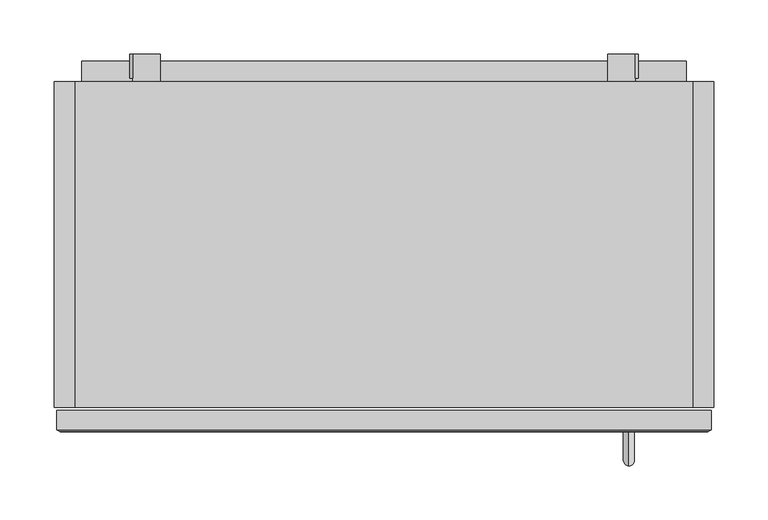
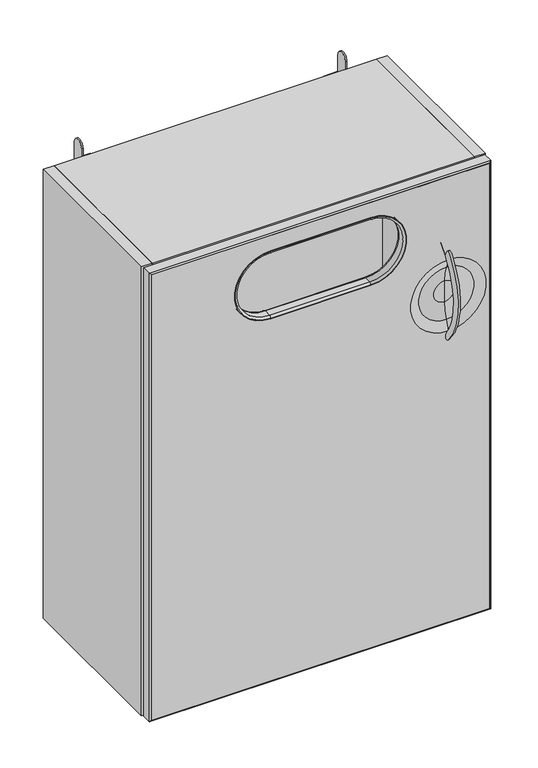
"""IFC4 building model written with IfcOpenShell, lengths in millimetres: furniture geometry."""

from ifc_helpers import new_model, si_unit, point, frame, frame_2d, origin, place, context, project, spatial, polyline, circle_curve, ellipse_curve, trimmed, segment, composite_curve, outline, extrude, faceted_brep, source, transform, mapped, element, save
from ifc_brep_helpers import plane_surface, cylinder_surface, revolved_surface, advanced_brep


def furniture_6328d004(model_context):
    return source(origin(), model_context, "Body", "SolidModel", [
        advanced_brep(
        [(480.3139758, -316.2284569, 661.309527), (480.3139758, -323.85, 654.5910688), (480.3139758, -305.8429813, 826.2195422), (480.3139758, -312.5614395, 833.8410852)],
        [
            (0, 1, circle_curve(frame((480.3139758, -320.0392285, 657.9502979), z_axis=(0.0, 0.6612655746121907, -0.7501518778439532), x_axis=(0.0, -0.7501518778439532, -0.6612655746121907)), 5.08)),
            (1, 0, circle_curve(frame((480.3139758, -320.0392285, 657.9502979), z_axis=(0.0, 0.6612655746121907, -0.7501518778439532), x_axis=(0.0, -0.7501518778439532, -0.6612655746121907)), 5.08)),
            (2, 3, circle_curve(frame((480.3139758, -309.2022104, 830.0303137), z_axis=(0.0, 0.750151877843952, 0.661265574612192), x_axis=(0.0, -0.661265574612192, 0.750151877843952)), 5.08)),
            (3, 2, circle_curve(frame((480.3139758, -309.2022104, 830.0303137), z_axis=(0.0, 0.750151877843952, 0.661265574612192), x_axis=(0.0, -0.661265574612192, 0.750151877843952)), 5.08)),
            (3, 1, circle_curve(frame((480.3139758, -228.5807115, 738.5717967), z_axis=(1.0, 0.0, 0.0), x_axis=(0.0, -0.7501518778439532, -0.6612655746121907)), 127.0)),
            (0, 2, circle_curve(frame((480.3139758, -228.5807115, 738.5717967), z_axis=(-1.0, 0.0, 0.0), x_axis=(0.0, -0.7501518778439532, -0.6612655746121907)), 116.84)),
        ],
        [
            plane_surface(frame((480.3139758, -323.85, 654.5910688), z_axis=(0.0, 0.6612655746121907, -0.7501518778439532), x_axis=(1.0, 0.0, 0.0))),
            plane_surface(frame((480.3139758, -312.5614395, 833.8410852), z_axis=(0.0, 0.7501518778439521, 0.661265574612192), x_axis=(1.0, 0.0, 0.0))),
            revolved_surface(trimmed(ellipse_curve(frame((480.3139758, -320.0392285, 657.9502979), z_axis=(0.0, 0.6612655746121907, -0.7501518778439532), x_axis=(0.0, -0.7501518778439532, -0.6612655746121907)), 5.08, 5.08), [point((480.3139758, -316.2284569, 661.309527))], [point((480.3139758, -323.85, 654.5910688))], True, "CARTESIAN"), (480.3139758, -228.5807115, 738.5717967), (-1.0, 0.0, 0.0)),
            revolved_surface(trimmed(ellipse_curve(frame((480.3139758, -320.0392285, 657.9502979), z_axis=(0.0, 0.6612655746121907, -0.7501518778439532), x_axis=(0.0, -0.7501518778439532, -0.6612655746121907)), 5.08, 5.08), [point((480.3139758, -323.85, 654.5910688))], [point((480.3139758, -316.2284569, 661.309527))], True, "CARTESIAN"), (480.3139758, -228.5807115, 738.5717967), (-1.0, 0.0, 0.0)),
        ],
        [
            (0, [[1, 2]]),
            (1, [[3, 4]]),
            (2, [[5, -1, 6, -4]]),
            (3, [[-6, -2, -5, -3]]),
        ],
    ),
        advanced_brep(
        [(165.0999758, -307.6342598, 927.3162027), (165.0999758, -307.6342598, 809.5357996), (165.0999758, -304.2920005, 806.1935404), (165.0999758, -304.2920005, 930.6584619), (165.0999758, -320.5077407, 927.3162027), (165.0999758, -320.5077407, 809.5357996), (165.0999758, -323.85, 930.6584619), (165.0999758, -323.85, 806.1935404), (165.0999758, -304.2920005, 931.9259996), (165.0999758, -304.2920005, 804.9260027), (165.0999758, -323.85, 804.9260027), (165.0999758, -323.85, 931.9259996), (342.8999758, -304.2920005, 930.6584619), (342.8999758, -307.6342598, 927.3162027), (342.8999758, -320.5077407, 927.3162027), (342.8999758, -323.85, 930.6584619), (342.8999758, -323.85, 931.9259996), (342.8999758, -304.2920005, 931.9259996), (342.8999758, -307.6342598, 809.5357996), (342.8999758, -304.2920005, 806.1935404), (342.8999758, -320.5077407, 809.5357996), (342.8999758, -323.85, 806.1935404), (342.8999758, -304.2920005, 804.9260027), (342.8999758, -323.85, 804.9260027)],
        [
            (0, 1, circle_curve(frame((165.0999758, -307.6342598, 868.4260012), z_axis=(0.0, -1.0, 0.0), x_axis=(0.0, 0.0, -1.0)), 58.8902015)),
            (1, 2, circle_curve(frame((165.0999758, -307.6342598, 806.1935404), z_axis=(-1.0, 0.0, 0.0), x_axis=(0.0, -1.0, 0.0)), 3.3422593)),
            (2, 3, circle_curve(frame((165.0999758, -304.2920005, 868.4260012), z_axis=(0.0, 1.0, 0.0), x_axis=(0.0, 0.0, -1.0)), 62.2324608)),
            (3, 0, circle_curve(frame((165.0999758, -307.6342598, 930.6584619), z_axis=(-1.0, 0.0, 0.0), x_axis=(0.0, -1.0, 0.0)), 3.3422593)),
            (4, 5, circle_curve(frame((165.0999758, -320.5077407, 868.4260012), z_axis=(0.0, -1.0, 0.0), x_axis=(0.0, 0.0, -1.0)), 58.8902015)),
            (5, 1),
            (0, 4),
            (6, 7, circle_curve(frame((165.0999758, -323.85, 868.4260012), z_axis=(0.0, -1.0, 0.0), x_axis=(0.0, 0.0, -1.0)), 62.2324608)),
            (7, 5, circle_curve(frame((165.0999758, -320.5077407, 806.1935404), z_axis=(-1.0, 0.0, 0.0), x_axis=(0.0, -1.0, 0.0)), 3.3422593)),
            (4, 6, circle_curve(frame((165.0999758, -320.5077407, 930.6584619), z_axis=(-1.0, 0.0, 0.0), x_axis=(0.0, -1.0, 0.0)), 3.3422593)),
            (8, 9, circle_curve(frame((165.0999758, -304.2920005, 868.4260012), z_axis=(0.0, -1.0, 0.0), x_axis=(0.0, 0.0, -1.0)), 63.4999985)),
            (9, 10),
            (10, 11, circle_curve(frame((165.0999758, -323.85, 868.4260012), z_axis=(0.0, 1.0, 0.0), x_axis=(0.0, 0.0, -1.0)), 63.4999985)),
            (11, 8),
            (3, 12),
            (12, 13, circle_curve(frame((342.8999758, -307.6342598, 930.6584619), z_axis=(-1.0, 0.0, 0.0), x_axis=(0.0, -1.0, 0.0)), 3.3422593)),
            (13, 0),
            (13, 14),
            (14, 4),
            (14, 15, circle_curve(frame((342.8999758, -320.5077407, 930.6584619), z_axis=(-1.0, 0.0, 0.0), x_axis=(0.0, -1.0, 0.0)), 3.3422593)),
            (15, 6),
            (11, 16),
            (16, 17),
            (17, 8),
            (18, 13, circle_curve(frame((342.8999758, -307.6342598, 868.4260012), z_axis=(0.0, -1.0, 0.0), x_axis=(0.0, 0.0, 1.0)), 58.8902015)),
            (12, 19, circle_curve(frame((342.8999758, -304.2920005, 868.4260012), z_axis=(0.0, 1.0, 0.0), x_axis=(0.0, 0.0, 1.0)), 62.2324608)),
            (19, 18, circle_curve(frame((342.8999758, -307.6342598, 806.1935404), z_axis=(1.0, 0.0, 0.0), x_axis=(0.0, -1.0, 0.0)), 3.3422593)),
            (20, 14, circle_curve(frame((342.8999758, -320.5077407, 868.4260012), z_axis=(0.0, -1.0, 0.0), x_axis=(0.0, 0.0, 1.0)), 58.8902015)),
            (18, 20),
            (21, 15, circle_curve(frame((342.8999758, -323.85, 868.4260012), z_axis=(0.0, -1.0, 0.0), x_axis=(0.0, 0.0, 1.0)), 62.2324608)),
            (20, 21, circle_curve(frame((342.8999758, -320.5077407, 806.1935404), z_axis=(1.0, 0.0, 0.0), x_axis=(0.0, -1.0, 0.0)), 3.3422593)),
            (22, 17, circle_curve(frame((342.8999758, -304.2920005, 868.4260012), z_axis=(0.0, -1.0, 0.0), x_axis=(0.0, 0.0, 1.0)), 63.4999985)),
            (16, 23, circle_curve(frame((342.8999758, -323.85, 868.4260012), z_axis=(0.0, 1.0, 0.0), x_axis=(0.0, 0.0, 1.0)), 63.4999985)),
            (23, 22),
            (22, 9),
            (2, 19),
            (1, 18),
            (5, 20),
            (7, 21),
            (10, 23),
        ],
        [
            revolved_surface(trimmed(ellipse_curve(frame((165.0999758, -307.6342598, 806.1935404), z_axis=(1.0, 0.0, 0.0), x_axis=(0.0, -1.0, 0.0)), 3.3422593, 3.3422593), [point((165.0999758, -304.2920005, 806.1935404))], [point((165.0999758, -307.6342598, 809.5357996))], True, "CARTESIAN"), (165.0999758, -323.85, 868.4260012), (0.0, 1.0, 0.0)),
            revolved_surface(polyline([(165.0999758, -307.6342598, 809.5357997), (165.0999758, -320.5077407, 809.5357997)]), (165.0999758, -323.85, 868.4260012), (0.0, 1.0, 0.0)),
            revolved_surface(trimmed(ellipse_curve(frame((165.0999758, -320.5077407, 806.1935404), z_axis=(1.0, 0.0, 0.0), x_axis=(0.0, -1.0, 0.0)), 3.3422593, 3.3422593), [point((165.0999758, -320.5077407, 809.5357996))], [point((165.0999758, -323.85, 806.1935404))], True, "CARTESIAN"), (165.0999758, -323.85, 868.4260012), (0.0, 1.0, 0.0)),
            cylinder_surface(frame((165.0999758, -323.85, 868.4260012), z_axis=(0.0, 1.0, 0.0), x_axis=(0.0, 0.0, -1.0)), 63.4999985),
            cylinder_surface(frame((165.0999758, -307.6342598, 930.6584619), z_axis=(-1.0, 0.0, 0.0), x_axis=(0.0, -1.0, 0.0)), 3.3422593),
            plane_surface(frame((165.0999758, -307.6342598, 927.3162027), z_axis=(0.0, 0.0, -1.0), x_axis=(1.0, 0.0, 0.0))),
            cylinder_surface(frame((165.0999758, -320.5077407, 930.6584619), z_axis=(-1.0, 0.0, 0.0), x_axis=(0.0, -1.0, 0.0)), 3.3422593),
            plane_surface(frame((165.0999758, -323.85, 931.9259996), z_axis=(0.0, 0.0, 1.0), x_axis=(1.0, 0.0, 0.0))),
            revolved_surface(trimmed(ellipse_curve(frame((342.8999758, -307.6342598, 930.6584619), z_axis=(-1.0, 0.0, 0.0), x_axis=(0.0, -1.0, 0.0)), 3.3422593, 3.3422593), [point((342.8999758, -304.2920005, 930.6584619))], [point((342.8999758, -307.6342598, 927.3162027))], True, "CARTESIAN"), (342.8999758, -323.85, 868.4260012), (0.0, 1.0, 0.0)),
            revolved_surface(polyline([(342.8999758, -307.6342598, 927.3162027), (342.8999758, -320.5077407, 927.3162027)]), (342.8999758, -323.85, 868.4260012), (0.0, 1.0, 0.0)),
            revolved_surface(trimmed(ellipse_curve(frame((342.8999758, -320.5077407, 930.6584619), z_axis=(-1.0, 0.0, 0.0), x_axis=(0.0, -1.0, 0.0)), 3.3422593, 3.3422593), [point((342.8999758, -320.5077407, 927.3162027))], [point((342.8999758, -323.85, 930.6584619))], True, "CARTESIAN"), (342.8999758, -323.85, 868.4260012), (0.0, 1.0, 0.0)),
            cylinder_surface(frame((342.8999758, -323.85, 868.4260012), z_axis=(0.0, 1.0, 0.0), x_axis=(0.0, 0.0, 1.0)), 63.4999985),
            plane_surface(frame((342.8999758, -304.2920005, 804.9260027), z_axis=(0.0, 1.0, 0.0), x_axis=(-1.0, 0.0, 0.0))),
            cylinder_surface(frame((342.8999758, -307.6342598, 806.1935404), z_axis=(1.0, 0.0, 0.0), x_axis=(0.0, -1.0, 0.0)), 3.3422593),
            plane_surface(frame((342.8999758, -307.6342598, 809.5357996), z_axis=(0.0, 0.0, 1.0), x_axis=(-1.0, 0.0, 0.0))),
            cylinder_surface(frame((342.8999758, -320.5077407, 806.1935404), z_axis=(1.0, 0.0, 0.0), x_axis=(0.0, -1.0, 0.0)), 3.3422593),
            plane_surface(frame((342.8999758, -323.85, 806.1935404), z_axis=(0.0, -1.0, 0.0), x_axis=(-1.0, 0.0, 0.0))),
            plane_surface(frame((342.8999758, -323.85, 804.9260027), z_axis=(0.0, 0.0, -1.0), x_axis=(-1.0, 0.0, 0.0))),
        ],
        [
            (0, [[1, 2, 3, 4]]),
            (1, [[5, 6, -1, 7]]),
            (2, [[8, 9, -5, 10]]),
            (3, [[11, 12, 13, 14]]),
            (4, [[-4, 15, 16, 17]]),
            (5, [[-7, -17, 18, 19]]),
            (6, [[-10, -19, 20, 21]]),
            (7, [[-14, 22, 23, 24]]),
            (8, [[25, -16, 26, 27]]),
            (9, [[28, -18, -25, 29]]),
            (10, [[30, -20, -28, 31]]),
            (11, [[32, -23, 33, 34]]),
            (12, [[-24, -32, 35, -11], [36, -26, -15, -3]]),
            (13, [[-27, -36, -2, 37]]),
            (14, [[-29, -37, -6, 38]]),
            (15, [[-31, -38, -9, 39]]),
            (16, [[40, -33, -22, -13], [-21, -30, -39, -8]]),
            (17, [[-34, -40, -12, -35]]),
        ],
    ),
        extrude(outline(composite_curve([segment(polyline([(3.1758017, 941.5788171), (3.1758017, 975.9020252)]), True, "CONTINUOUS"), segment(trimmed(circle_curve(frame_2d((14.2883021, 975.9020252)), 11.1125003), [point((3.1758017, 975.9020252))], [point((25.4008024, 975.9020252))], False, "CARTESIAN"), True, "CONTINUOUS"), segment(polyline([(25.4008024, 975.9020252), (25.4008024, 941.5788171), (3.1758017, 941.5788171)]), True, "CONTINUOUS")], self_intersect=False)), frame((486.2822001, 0.0, 0.0), z_axis=(1.0, 0.0, 0.0), x_axis=(0.0, 1.0, 0.0)), (0.0, 0.0, 1.0), 2.6669997),
        extrude(outline(composite_curve([segment(polyline([(3.1758017, 941.5788171), (3.1758017, 975.9020252)]), True, "CONTINUOUS"), segment(trimmed(circle_curve(frame_2d((14.2883021, 975.9020252)), 11.1125003), [point((3.1758017, 975.9020252))], [point((25.4008024, 975.9020252))], False, "CARTESIAN"), True, "CONTINUOUS"), segment(polyline([(25.4008024, 975.9020252), (25.4008024, 941.5788171), (3.1758017, 941.5788171)]), True, "CONTINUOUS")], self_intersect=False)), frame((19.050763, 0.0, 0.0), z_axis=(1.0, 0.0, 0.0), x_axis=(0.0, 1.0, 0.0)), (0.0, 0.0, 1.0), 2.6669997),
        extrude(outline(polyline([(1.905, 177.6727209), (1.905, 142.7472365), (0.0, 142.7472365), (0.0, 179.5776919), (19.0505836, 179.5776919), (19.0505836, 155.4476967), (17.1455843, 155.4476967), (17.1455843, 177.6727209), (1.905, 177.6727209)])), frame((-25.4125136, 0.0, 0.0), z_axis=(1.0, 0.0, 0.0), x_axis=(0.0, 1.0, 0.0)), (0.0, 0.0, 1.0), 558.8249765),
        extrude(outline(polyline([(539.2427756, 0.0), (539.2427756, -19.5571979), (-31.2428422, -19.5571979), (-31.2428422, 0.0), (539.2427756, 0.0)])), frame((0.0, 0.0, 142.7472365), z_axis=(0.0, 0.0, 1.0), x_axis=(1.0, 0.0, 0.0)), (0.0, 0.0, 1.0), 801.3715249),
        extrude(outline(polyline([(539.2427756, 0.0), (539.2427756, -301.1275134), (-31.2428422, -301.1275134), (-31.2428422, 0.0), (539.2427756, 0.0)])), frame((0.0, 0.0, 123.19), z_axis=(0.0, 0.0, 1.0), x_axis=(1.0, 0.0, 0.0)), (0.0, 0.0, 1.0), 19.5572365),
        extrude(outline(polyline([(539.2427756, 0.0), (539.2427756, -301.1275134), (-31.2428422, -301.1275134), (-31.2428422, 0.0), (539.2427756, 0.0)])), frame((0.0, 0.0, 944.1187613), z_axis=(0.0, 0.0, 1.0), x_axis=(1.0, 0.0, 0.0)), (0.0, 0.0, 1.0), 19.557182),
        advanced_brep(
        [(553.2504871, -304.2920005, 960.5009996), (553.2504871, -304.2920005, 126.364997), (-45.2751298, -304.2920005, 126.364997), (-45.2751298, -304.2920005, 960.5009996), (342.8999758, -304.2920005, 931.9259996), (165.0999758, -304.2920005, 931.9259996), (165.0999758, -304.2920005, 804.9260027), (342.8999758, -304.2920005, 804.9260027), (553.2504871, -323.85, 960.5009996), (-45.2751298, -323.85, 960.5009996), (-45.2751298, -323.85, 126.364997), (553.2504871, -323.85, 126.364997), (342.8999758, -323.85, 931.9259996), (342.8999758, -323.85, 804.9260027), (165.0999758, -323.85, 804.9260027), (165.0999758, -323.85, 931.9259996), (480.3139758, -323.85, 671.5774002), (480.3139758, -323.85, 804.9260222), (480.3139758, -317.1987998, 689.5667383), (480.3139758, -311.15, 718.9729129), (480.3139758, -311.15, 757.5305095), (480.3139758, -317.1987998, 786.9366841), (480.3139758, -311.15, 738.2517112)],
        [
            (0, 1),
            (1, 2),
            (2, 3),
            (3, 0),
            (4, 5),
            (5, 6, circle_curve(frame((165.0999758, -304.2920005, 868.4260012), z_axis=(0.0, -1.0, 0.0), x_axis=(0.0, 0.0, -1.0)), 63.4999985)),
            (6, 7),
            (7, 4, circle_curve(frame((342.8999758, -304.2920005, 868.4260012), z_axis=(0.0, -1.0, 0.0), x_axis=(0.0, 0.0, -1.0)), 63.4999985)),
            (8, 9),
            (9, 10),
            (10, 11),
            (11, 8),
            (12, 13, circle_curve(frame((342.8999758, -323.85, 868.4260012), z_axis=(0.0, 1.0, 0.0), x_axis=(0.0, 0.0, -1.0)), 63.4999985)),
            (13, 14),
            (14, 15, circle_curve(frame((165.0999758, -323.85, 868.4260012), z_axis=(0.0, 1.0, 0.0), x_axis=(0.0, 0.0, -1.0)), 63.4999985)),
            (15, 12),
            (16, 17, circle_curve(frame((480.3139758, -323.85, 738.2517112), z_axis=(0.0, 1.0, 0.0), x_axis=(0.0, 0.0, 1.0)), 66.674311)),
            (17, 16, circle_curve(frame((480.3139758, -323.85, 738.2517112), z_axis=(0.0, 1.0, 0.0), x_axis=(0.0, 0.0, 1.0)), 66.674311)),
            (0, 8),
            (11, 1),
            (10, 2),
            (9, 3),
            (4, 12),
            (15, 5),
            (14, 6),
            (13, 7),
            (18, 19, circle_curve(frame((480.3139758, -385.6532995, 718.9729129), z_axis=(1.0, 0.0, 0.0), x_axis=(0.0, 1.0, 0.0)), 74.5032995)),
            (19, 20, circle_curve(frame((480.3139758, -311.15, 738.2517112), z_axis=(0.0, 1.0, 0.0), x_axis=(0.0, 0.0, 1.0)), 19.2787983)),
            (20, 21, circle_curve(frame((480.3139758, -385.6532995, 757.5305095), z_axis=(1.0, 0.0, 0.0), x_axis=(0.0, 1.0, 0.0)), 74.5032995)),
            (21, 18, circle_curve(frame((480.3139758, -317.1987998, 738.2517112), z_axis=(0.0, -1.0, 0.0), x_axis=(0.0, 0.0, 1.0)), 48.6849729)),
            (18, 21, circle_curve(frame((480.3139758, -317.1987998, 738.2517112), z_axis=(0.0, -1.0, 0.0), x_axis=(0.0, 0.0, 1.0)), 48.6849729)),
            (20, 19, circle_curve(frame((480.3139758, -311.15, 738.2517112), z_axis=(0.0, 1.0, 0.0), x_axis=(0.0, 0.0, 1.0)), 19.2787983)),
            (21, 17, circle_curve(frame((480.3139758, -146.3460634, 860.3303311), z_axis=(-1.0, 0.0, 0.0), x_axis=(0.0, 1.0, 0.0)), 185.949684)),
            (16, 18, circle_curve(frame((480.3139758, -146.3460634, 616.1730912), z_axis=(-1.0, 0.0, 0.0), x_axis=(0.0, 1.0, 0.0)), 185.949684)),
            (19, 22),
            (22, 20),
        ],
        [
            plane_surface(frame((553.2504871, -304.2920005, 960.5009996), z_axis=(0.0, 1.0, 0.0), x_axis=(0.0, 0.0, -1.0))),
            plane_surface(frame((553.2504871, -323.85, 960.5009996), z_axis=(0.0, -1.0, 0.0), x_axis=(0.0, 0.0, 1.0))),
            plane_surface(frame((553.2504871, -304.2920005, 960.5009996), z_axis=(1.0, 0.0, 0.0), x_axis=(0.0, -1.0, 0.0))),
            plane_surface(frame((553.2504871, -304.2920005, 126.364997), z_axis=(0.0, 0.0, -1.0), x_axis=(0.0, -1.0, 0.0))),
            plane_surface(frame((-45.2751298, -304.2920005, 126.364997), z_axis=(-1.0, 0.0, 0.0), x_axis=(0.0, -1.0, 0.0))),
            plane_surface(frame((-45.2751298, -304.2920005, 960.5009996), z_axis=(0.0, 0.0, 1.0), x_axis=(0.0, -1.0, 0.0))),
            plane_surface(frame((342.8999758, -304.2920005, 931.9259996), z_axis=(0.0, 0.0, -1.0), x_axis=(0.0, -1.0, 0.0))),
            revolved_surface(polyline([(165.0999758, -323.85, 804.9260027), (165.0999758, -304.2920005, 804.9260027)]), (165.0999758, -304.2920005, 868.4260012), (0.0, -1.0, 0.0)),
            plane_surface(frame((165.0999758, -304.2920005, 804.9260027), z_axis=(0.0, 0.0, 1.0), x_axis=(0.0, -1.0, 0.0))),
            revolved_surface(polyline([(342.8999758, -323.85, 804.9260027), (342.8999758, -304.2920005, 804.9260027)]), (342.8999758, -304.2920005, 868.4260012), (0.0, -1.0, 0.0)),
            revolved_surface(trimmed(ellipse_curve(frame((480.3139758, -385.6532995, 757.5305095), z_axis=(-1.0, 0.0, 0.0), x_axis=(0.0, 1.0, 0.0)), 74.5032995, 74.5032995), [point((480.3139758, -317.1987998, 786.9366841))], [point((480.3139758, -311.15, 757.5305095))], True, "CARTESIAN"), (480.3139758, -304.2920005, 738.2517112), (0.0, -1.0, 0.0)),
            revolved_surface(trimmed(ellipse_curve(frame((480.3139758, -146.3460634, 860.3303311), z_axis=(1.0, 0.0, 0.0), x_axis=(0.0, 1.0, 0.0)), 185.949684, 185.949684), [point((480.3139758, -323.85, 804.9260222))], [point((480.3139758, -317.1987998, 786.9366841))], True, "CARTESIAN"), (480.3139758, -304.2920005, 738.2517112), (0.0, -1.0, 0.0)),
            plane_surface(frame((480.3139758, -311.15, 738.2517112), z_axis=(0.0, -1.0, 0.0), x_axis=(0.0, 0.0, 1.0))),
        ],
        [
            (0, [[1, 2, 3, 4], [5, 6, 7, 8]]),
            (1, [[9, 10, 11, 12], [13, 14, 15, 16], [17, 18]]),
            (2, [[-1, 19, -12, 20]]),
            (3, [[-2, -20, -11, 21]]),
            (4, [[-3, -21, -10, 22]]),
            (5, [[-4, -22, -9, -19]]),
            (6, [[-5, 23, -16, 24]]),
            (7, [[-6, -24, -15, 25]]),
            (8, [[-7, -25, -14, 26]]),
            (9, [[-8, -26, -13, -23]]),
            (10, [[27, 28, 29, 30]]),
            (10, [[-27, 31, -29, 32]]),
            (11, [[-30, 33, -17, 34]]),
            (11, [[-31, -34, -18, -33]]),
            (12, [[-28, 35, 36]]),
            (12, [[-32, -36, -35]]),
        ],
    ),
        extrude(outline(polyline([(460.882188, 0.0), (460.882188, 25.4008024), (486.2822001, 25.4008024), (486.2822001, 0.0), (460.882188, 0.0)])), frame((0.0, 0.0, 941.5788171), z_axis=(0.0, 0.0, 1.0), x_axis=(1.0, 0.0, 0.0)), (0.0, 0.0, 1.0), 2.5399976),
        extrude(outline(polyline([(-50.8000242, 0.0), (-31.2428422, 0.0), (-31.2428422, -301.1275134), (-50.8000242, -301.1275134), (-50.8000242, 0.0)])), frame((0.0, 0.0, 123.19), z_axis=(0.0, 0.0, 1.0), x_axis=(1.0, 0.0, 0.0)), (0.0, 0.0, 1.0), 840.4859966),
        extrude(outline(polyline([(539.2427756, 0.0), (558.7999758, 0.0), (558.7999758, -301.1275134), (539.2427756, -301.1275134), (539.2427756, 0.0)])), frame((0.0, 0.0, 123.19), z_axis=(0.0, 0.0, 1.0), x_axis=(1.0, 0.0, 0.0)), (0.0, 0.0, 1.0), 840.4859966),
        faceted_brep([(556.4254841, -304.2920005, 963.6759966), (556.4254841, -322.016936, 963.6759966), (556.4254841, -322.016936, 123.19), (556.4254841, -304.2920005, 123.19), (553.2504871, -323.85, 960.5009996), (553.2504871, -323.85, 126.364997), (-48.4501268, -322.016936, 123.19), (-48.4501268, -304.2920005, 123.19), (-45.2751298, -323.85, 126.364997), (-48.4501268, -322.016936, 963.6759966), (-48.4501268, -304.2920005, 963.6759966), (-45.2751298, -323.85, 960.5009996), (553.2504871, -304.2920005, 960.5009996), (-45.2751298, -304.2920005, 960.5009996), (-45.2751298, -304.2920005, 126.364997), (553.2504871, -304.2920005, 126.364997)], [[[0, 1, 2, 3]], [[1, 4, 5, 2]], [[3, 2, 6, 7]], [[2, 5, 8, 6]], [[7, 6, 9, 10]], [[6, 8, 11, 9]], [[10, 9, 1, 0]], [[3, 7, 10, 0], [12, 13, 14, 15]], [[9, 11, 4, 1]], [[4, 12, 15, 5]], [[5, 15, 14, 8]], [[8, 14, 13, 11]], [[11, 13, 12, 4]]]),
        extrude(outline(polyline([(47.1177635, 25.4008024), (47.1177635, 0.0), (21.7177628, 0.0), (21.7177628, 25.4008024), (47.1177635, 25.4008024)])), frame((0.0, 0.0, 941.5788171), z_axis=(0.0, 0.0, 1.0), x_axis=(1.0, 0.0, 0.0)), (0.0, 0.0, 1.0), 2.5399976),
    ])


if __name__ == "__main__":
    model = new_model("IFC4")
    model_context = context("Model", 3, world=origin())
    ifc_project = project(units=[si_unit("LENGTHUNIT", "METRE", prefix="MILLI")], contexts=[model_context])
    site = spatial("IfcSite", under=ifc_project)
    building = spatial("IfcBuilding", under=site)
    placement = place(None, origin())
    furniture_shape = furniture_6328d004(model_context)
    element("IfcFurniture", 1, at=placement, inside=building, context=model_context, shape_type="MappedRepresentation", body=[
        mapped(furniture_shape, transform((0.0, 0.0, 0.0), x_axis=(1.0, 0.0, 0.0), y_axis=(0.0, 1.0, 0.0), z_axis=(0.0, 0.0, 1.0))),
    ])
    save(model, "model.ifc")
